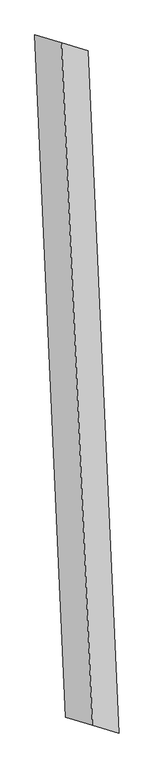
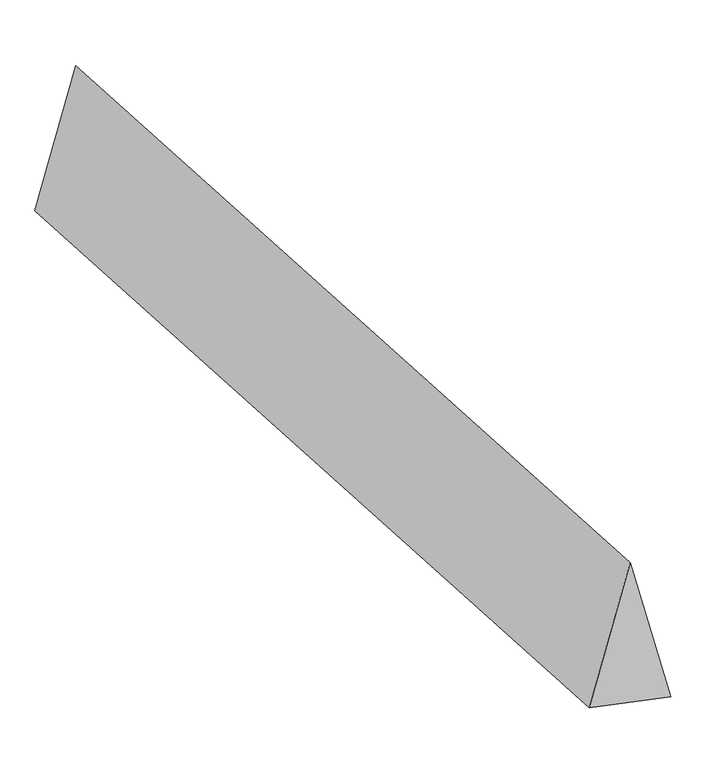
"""IFC4 building model written with IfcOpenShell, lengths in millimetres: proxy geometry."""

from ifc_helpers import new_model, si_unit, origin, place, context, project, spatial, faceted_brep, source, transform, mapped, element, save


def generic_models_0591d593(model_context):
    return source(origin(), model_context, "Body", "Brep", [
        faceted_brep([(96.2710139, -2113.7850562, 700.0), (261.9280738, -2162.6977257, 0.0), (69.3860461, 2064.8723867, 0.0), (-96.2710139, 2113.7850562, 700.0), (-69.3860461, -2064.8723867, 0.0), (-261.9280738, 2162.6977257, 0.0)], [[[0, 1, 2, 3]], [[1, 4, 5, 2]], [[4, 0, 3, 5]], [[3, 2, 5]], [[0, 4, 1]]]),
    ])


if __name__ == "__main__":
    model = new_model("IFC4")
    model_context = context("Model", 3, world=origin())
    ifc_project = project(units=[si_unit("LENGTHUNIT", "METRE", prefix="MILLI")], contexts=[model_context])
    site = spatial("IfcSite", under=ifc_project)
    building = spatial("IfcBuilding", under=site)
    placement = place(None, origin())
    generic_models_shape = generic_models_0591d593(model_context)
    element("IfcBuildingElementProxy", 1, Name="Generic Models", at=placement, inside=building, context=model_context, shape_type="MappedRepresentation", body=[
        mapped(generic_models_shape, transform((0.0, 0.0, 0.0), x_axis=(1.0, 0.0, 0.0), y_axis=(0.0, 1.0, 0.0), z_axis=(0.0, 0.0, 1.0))),
    ])
    save(model, "model.ifc")
